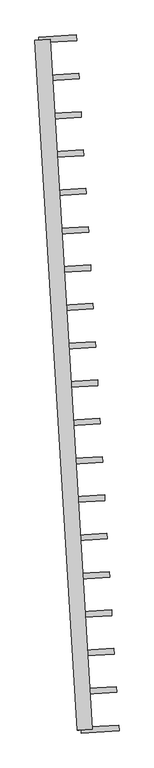
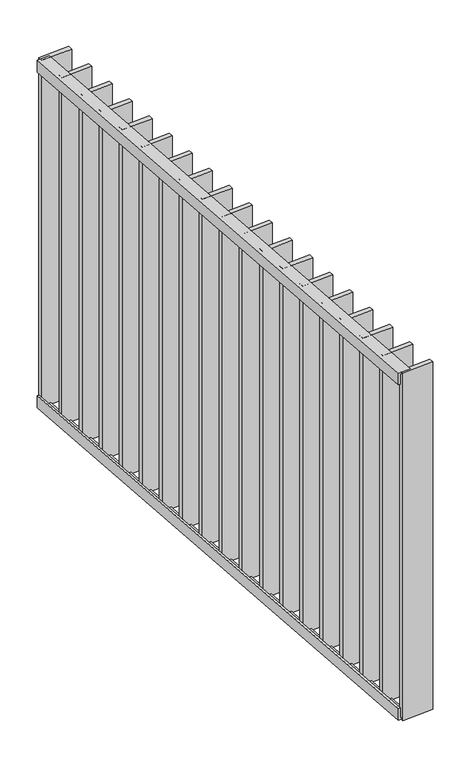
"""IFC4 building model written with IfcOpenShell, lengths in millimetres: railing geometry."""

from ifc_helpers import new_model, si_unit, frame, origin, place, context, project, spatial, polyline, outline, extrude, source, transform, mapped, element, save


def railing_b84587bc(model_context):
    return source(origin(), model_context, "Body", "SweptSolid", [
        extrude(outline(polyline([(-14.0, 6.0), (19.9999999, 6.0), (19.9999999, 0.0), (-20.0, 0.0), (-20.0, 40.0), (-14.0, 40.0), (-14.0, 6.0)])), frame((67408.7125168, 31376.5626424, 8000.0), z_axis=(-0.06104853953228654, 0.9981347984220242, 0.0), x_axis=(0.9981347984220242, 0.06104853953228654, 0.0)), (0.0, 0.0, 1.0), 1820.0),
        extrude(outline(polyline([(-14.0, -6.0), (-14.0, -40.0), (-20.0, -40.0), (-20.0, 0.0), (19.9999999, 0.0), (19.9999999, -6.0), (-14.0, -6.0)])), frame((67408.7125168, 31376.5626424, 6820.0), z_axis=(-0.06104853953228654, 0.9981347984220242, 0.0), x_axis=(0.9981347984220242, 0.06104853953228654, 0.0)), (0.0, 0.0, 1.0), 1820.0),
        extrude(outline(polyline([(67392.1006191, 31484.3606865), (67491.9140989, 31490.4655405), (67492.829827, 31475.4935185), (67393.0163472, 31469.3886645), (67392.1006191, 31484.3606865)])), frame((0.0, 0.0, 6819.9), z_axis=(0.0, 0.0, 1.0), x_axis=(1.0, 0.0, 0.0)), (0.0, 0.0, 1.0), 1180.2),
        extrude(outline(polyline([(67385.9279334, 31585.283205), (67485.7414133, 31591.388059), (67486.6571414, 31576.416037), (67386.8436615, 31570.311183), (67385.9279334, 31585.283205)])), frame((0.0, 0.0, 6819.9), z_axis=(0.0, 0.0, 1.0), x_axis=(1.0, 0.0, 0.0)), (0.0, 0.0, 1.0), 1180.2),
        extrude(outline(polyline([(67379.7552478, 31686.2057235), (67479.5687276, 31692.3105775), (67480.4844557, 31677.3385555), (67380.6709758, 31671.2337015), (67379.7552478, 31686.2057235)])), frame((0.0, 0.0, 6819.9), z_axis=(0.0, 0.0, 1.0), x_axis=(1.0, 0.0, 0.0)), (0.0, 0.0, 1.0), 1180.2),
        extrude(outline(polyline([(67373.5825621, 31787.128242), (67473.3960419, 31793.233096), (67474.31177, 31778.261074), (67374.4982902, 31772.1562201), (67373.5825621, 31787.128242)])), frame((0.0, 0.0, 6819.9), z_axis=(0.0, 0.0, 1.0), x_axis=(1.0, 0.0, 0.0)), (0.0, 0.0, 1.0), 1180.2),
        extrude(outline(polyline([(67367.4098764, 31888.0507605), (67467.2233563, 31894.1556145), (67468.1390844, 31879.1835925), (67368.3256045, 31873.0787386), (67367.4098764, 31888.0507605)])), frame((0.0, 0.0, 6819.9), z_axis=(0.0, 0.0, 1.0), x_axis=(1.0, 0.0, 0.0)), (0.0, 0.0, 1.0), 1180.2),
        extrude(outline(polyline([(67361.2371908, 31988.973279), (67461.0506706, 31995.078133), (67461.9663987, 31980.106111), (67362.1529189, 31974.0012571), (67361.2371908, 31988.973279)])), frame((0.0, 0.0, 6819.9), z_axis=(0.0, 0.0, 1.0), x_axis=(1.0, 0.0, 0.0)), (0.0, 0.0, 1.0), 1180.2),
        extrude(outline(polyline([(67355.0645051, 32089.8957975), (67454.8779849, 32096.0006515), (67455.793713, 32081.0286295), (67355.9802332, 32074.9237756), (67355.0645051, 32089.8957975)])), frame((0.0, 0.0, 6819.9), z_axis=(0.0, 0.0, 1.0), x_axis=(1.0, 0.0, 0.0)), (0.0, 0.0, 1.0), 1180.2),
        extrude(outline(polyline([(67348.8918194, 32190.8183161), (67448.7052993, 32196.92317), (67449.6210274, 32181.951148), (67349.8075475, 32175.8462941), (67348.8918194, 32190.8183161)])), frame((0.0, 0.0, 6819.9), z_axis=(0.0, 0.0, 1.0), x_axis=(1.0, 0.0, 0.0)), (0.0, 0.0, 1.0), 1180.2),
        extrude(outline(polyline([(67342.7191338, 32291.7408346), (67442.5326136, 32297.8456885), (67443.4483417, 32282.8736665), (67343.6348619, 32276.7688126), (67342.7191338, 32291.7408346)])), frame((0.0, 0.0, 6819.9), z_axis=(0.0, 0.0, 1.0), x_axis=(1.0, 0.0, 0.0)), (0.0, 0.0, 1.0), 1180.2),
        extrude(outline(polyline([(67336.5464481, 32392.6633531), (67436.3599279, 32398.768207), (67437.275656, 32383.796185), (67337.4621762, 32377.6913311), (67336.5464481, 32392.6633531)])), frame((0.0, 0.0, 6819.9), z_axis=(0.0, 0.0, 1.0), x_axis=(1.0, 0.0, 0.0)), (0.0, 0.0, 1.0), 1180.2),
        extrude(outline(polyline([(67330.3737624, 32493.5858716), (67430.1872423, 32499.6907255), (67431.1029704, 32484.7187036), (67331.2894905, 32478.6138496), (67330.3737624, 32493.5858716)])), frame((0.0, 0.0, 6819.9), z_axis=(0.0, 0.0, 1.0), x_axis=(1.0, 0.0, 0.0)), (0.0, 0.0, 1.0), 1180.2),
        extrude(outline(polyline([(67324.2010768, 32594.5083901), (67424.0145566, 32600.613244), (67424.9302847, 32585.6412221), (67325.1168049, 32579.5363681), (67324.2010768, 32594.5083901)])), frame((0.0, 0.0, 6819.9), z_axis=(0.0, 0.0, 1.0), x_axis=(1.0, 0.0, 0.0)), (0.0, 0.0, 1.0), 1180.2),
        extrude(outline(polyline([(67318.0283911, 32695.4309086), (67417.841871, 32701.5357625), (67418.757599, 32686.5637406), (67318.9441192, 32680.4588866), (67318.0283911, 32695.4309086)])), frame((0.0, 0.0, 6819.9), z_axis=(0.0, 0.0, 1.0), x_axis=(1.0, 0.0, 0.0)), (0.0, 0.0, 1.0), 1180.2),
        extrude(outline(polyline([(67311.8557055, 32796.3534271), (67411.6691853, 32802.4582811), (67412.5849134, 32787.4862591), (67312.7714335, 32781.3814051), (67311.8557055, 32796.3534271)])), frame((0.0, 0.0, 6819.9), z_axis=(0.0, 0.0, 1.0), x_axis=(1.0, 0.0, 0.0)), (0.0, 0.0, 1.0), 1180.2),
        extrude(outline(polyline([(67305.6830198, 32897.2759456), (67405.4964996, 32903.3807996), (67406.4122277, 32888.4087776), (67306.5987479, 32882.3039236), (67305.6830198, 32897.2759456)])), frame((0.0, 0.0, 6819.9), z_axis=(0.0, 0.0, 1.0), x_axis=(1.0, 0.0, 0.0)), (0.0, 0.0, 1.0), 1180.2),
        extrude(outline(polyline([(67299.5103341, 32998.1984641), (67399.323814, 33004.3033181), (67400.2395421, 32989.3312961), (67300.4260622, 32983.2264421), (67299.5103341, 32998.1984641)])), frame((0.0, 0.0, 6819.9), z_axis=(0.0, 0.0, 1.0), x_axis=(1.0, 0.0, 0.0)), (0.0, 0.0, 1.0), 1180.2),
        extrude(outline(polyline([(67293.3376485, 33099.1209826), (67393.1511283, 33105.2258366), (67394.0668564, 33090.2538146), (67294.2533766, 33084.1489606), (67293.3376485, 33099.1209826)])), frame((0.0, 0.0, 6819.9), z_axis=(0.0, 0.0, 1.0), x_axis=(1.0, 0.0, 0.0)), (0.0, 0.0, 1.0), 1180.2),
        extrude(outline(polyline([(67398.2733047, 31383.438168), (67498.0867846, 31389.543022), (67499.0025127, 31374.571), (67399.1890328, 31368.466146), (67398.2733047, 31383.438168)])), frame((0.0, 0.0, 6819.9), z_axis=(0.0, 0.0, 1.0), x_axis=(1.0, 0.0, 0.0)), (0.0, 0.0, 1.0), 1180.2),
        extrude(outline(polyline([(67287.1649628, 33200.0435011), (67386.9784426, 33206.1483551), (67387.8941707, 33191.1763331), (67288.0806909, 33185.0714792), (67287.1649628, 33200.0435011)])), frame((0.0, 0.0, 6819.9), z_axis=(0.0, 0.0, 1.0), x_axis=(1.0, 0.0, 0.0)), (0.0, 0.0, 1.0), 1180.2),
    ])


if __name__ == "__main__":
    model = new_model("IFC4")
    model_context = context("Model", 3, world=origin())
    ifc_project = project(units=[si_unit("LENGTHUNIT", "METRE", prefix="MILLI")], contexts=[model_context])
    site = spatial("IfcSite", under=ifc_project)
    building = spatial("IfcBuilding", under=site)
    placement = place(None, origin())
    railing_shape = railing_b84587bc(model_context)
    element("IfcRailing", 1, at=placement, inside=building, context=model_context, shape_type="MappedRepresentation", body=[
        mapped(railing_shape, transform((0.0, 0.0, 0.0), x_axis=(1.0, 0.0, 0.0), y_axis=(0.0, 1.0, 0.0), z_axis=(0.0, 0.0, 1.0))),
    ])
    save(model, "model.ifc")
